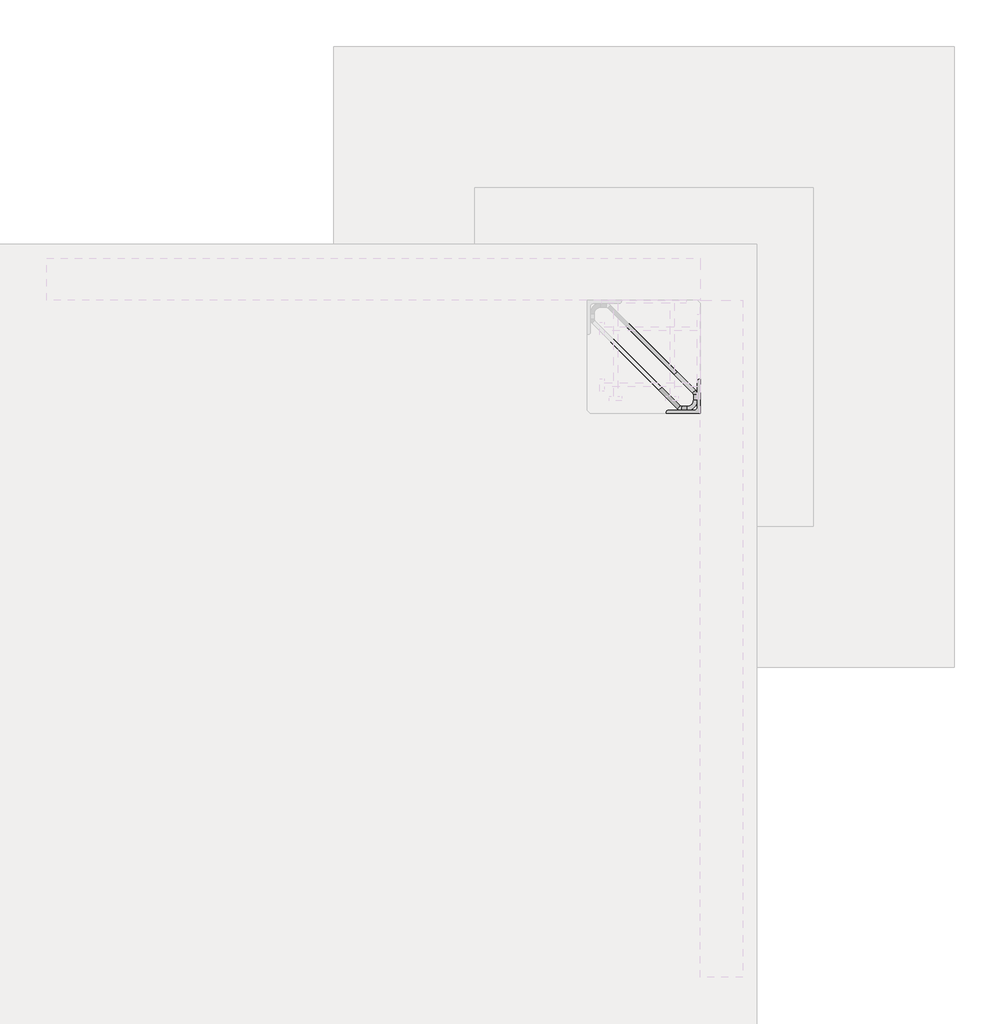
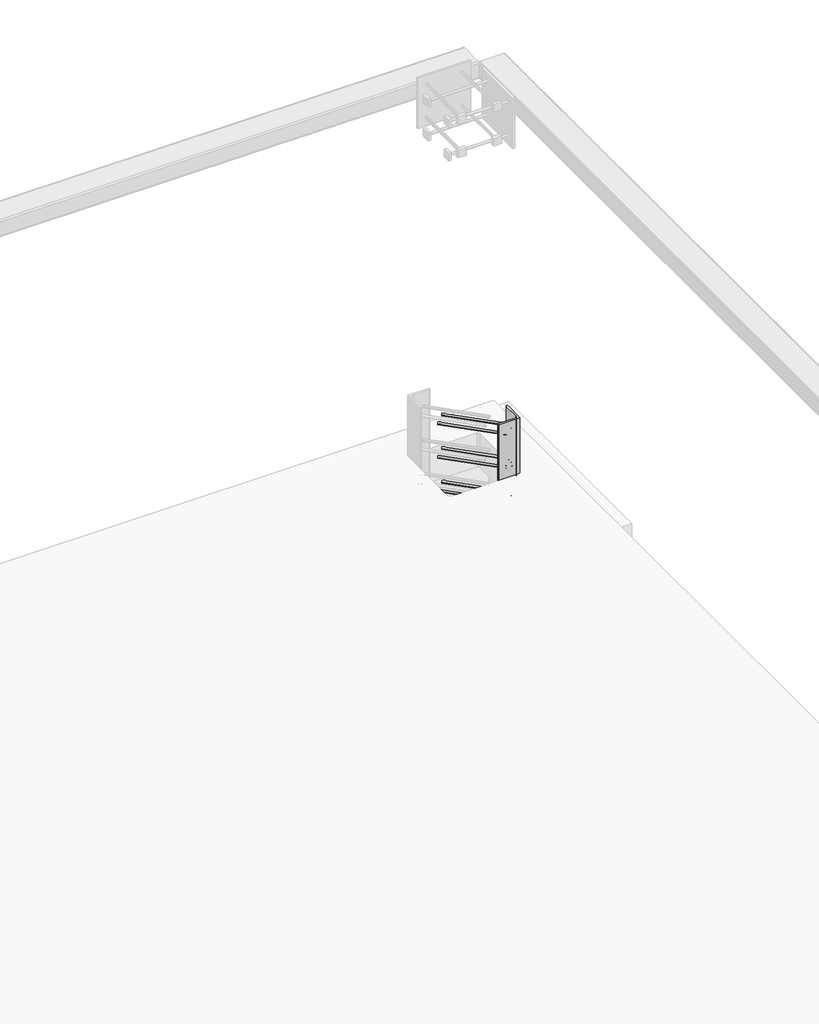
# One storey, part 65 of 65: 1 fastener.
"""IFC4 building model written with IfcOpenShell, lengths in millimetres."""

from ifc_helpers import new_model, si_unit, point, frame, frame_2d, origin, place, context, project, spatial, polyline, circle_curve, ellipse_curve, trimmed, segment, composite_curve, outline, extrude, element, save
from ifc_brep_helpers import plane_surface, cylinder_surface, revolved_surface, advanced_brep

model = new_model("IFC4")

# Units and contexts
model_context = context("Model", 3, world=origin())
ifc_project = project(units=[si_unit("LENGTHUNIT", "METRE", prefix="MILLI")], contexts=[model_context])

# Site, building, storey
site = spatial("IfcSite", under=ifc_project)
building = spatial("IfcBuilding", under=site)
storey = spatial("IfcBuildingStorey", under=building, Elevation=0.0)

# Fastener
placement = place(None, origin())
element("IfcFastener", 1, at=placement, inside=storey, context=model_context, shape_type="SolidModel", body=[
    advanced_brep(
    [(81882.5628791, 38852.5376259, 250.0), (81892.4623741, 38862.4371209, 250.0), (81947.4623741, 38917.4371209, 250.0), (81937.5628791, 38907.5376259, 250.0), (82176.0, 38647.0, 250.0), (82176.0, 38665.7867966, 250.0), (82190.0, 38665.7867966, 250.0), (82190.0, 38647.0, 250.0), (82153.0, 38610.0, 250.0), (82153.0, 38624.0, 250.0), (82134.2132034, 38624.0, 250.0), (82134.2132034, 38610.0, 250.0), (82128.5563492, 38626.3431458, 250.0), (82118.6568543, 38616.4436508, 250.0), (82173.6568543, 38671.4436508, 250.0), (82183.5563492, 38681.3431458, 250.0)],
    [
        (0, 1, circle_curve(frame((81887.5126266, 38857.4873734, 250.0), z_axis=(-0.707106781186547, 0.7071067811865482, 0.0), x_axis=(0.7071067811865482, 0.707106781186547, 0.0)), 7.0)),
        (1, 0, circle_curve(frame((81887.5126266, 38857.4873734, 250.0), z_axis=(-0.707106781186547, 0.7071067811865482, 0.0), x_axis=(0.7071067811865482, 0.707106781186547, 0.0)), 7.0)),
        (2, 3, circle_curve(frame((81942.5126266, 38912.4873734, 250.0), z_axis=(-0.707106781186547, 0.707106781186548, 0.0), x_axis=(-0.707106781186548, -0.707106781186547, 0.0)), 7.0)),
        (3, 2, circle_curve(frame((81942.5126266, 38912.4873734, 250.0), z_axis=(-0.707106781186547, 0.707106781186548, 0.0), x_axis=(-0.707106781186548, -0.707106781186547, 0.0)), 7.0)),
        (4, 5),
        (5, 6, circle_curve(frame((82183.0, 38665.7867966, 250.0), z_axis=(0.0, -1.0, 0.0), x_axis=(-1.0, 0.0, 0.0)), 7.0)),
        (6, 7),
        (7, 4, circle_curve(frame((82183.0, 38647.0, 250.0), z_axis=(0.0, 1.0, 0.0), x_axis=(-1.0, 0.0, 0.0)), 7.0)),
        (6, 5, circle_curve(frame((82183.0, 38665.7867966, 250.0), z_axis=(0.0, -1.0, 0.0), x_axis=(-1.0, 0.0, 0.0)), 7.0)),
        (4, 7, circle_curve(frame((82183.0, 38647.0, 250.0), z_axis=(0.0, 1.0, 0.0), x_axis=(-1.0, 0.0, 0.0)), 7.0)),
        (7, 8, circle_curve(frame((82153.0, 38647.0, 250.0), z_axis=(0.0, 0.0, -1.0), x_axis=(0.0, -1.0, 0.0)), 37.0)),
        (8, 9, circle_curve(frame((82153.0, 38617.0, 250.0), z_axis=(1.0, 0.0, 0.0), x_axis=(0.0, 1.0, 0.0)), 7.0)),
        (9, 4, circle_curve(frame((82153.0, 38647.0, 250.0), z_axis=(0.0, 0.0, 1.0), x_axis=(0.0, -1.0, 0.0)), 23.0)),
        (9, 8, circle_curve(frame((82153.0, 38617.0, 250.0), z_axis=(1.0, 0.0, 0.0), x_axis=(0.0, 1.0, 0.0)), 7.0)),
        (10, 9),
        (8, 11),
        (11, 10, circle_curve(frame((82134.2132034, 38617.0, 250.0), z_axis=(1.0, 0.0, 0.0), x_axis=(0.0, 1.0, 0.0)), 7.0)),
        (10, 11, circle_curve(frame((82134.2132034, 38617.0, 250.0), z_axis=(1.0, 0.0, 0.0), x_axis=(0.0, 1.0, 0.0)), 7.0)),
        (1, 12),
        (12, 13, circle_curve(frame((82123.6066017, 38621.3933983, 250.0), z_axis=(-0.707106781186547, 0.7071067811865482, 0.0), x_axis=(0.7071067811865482, 0.707106781186547, 0.0)), 7.0)),
        (13, 0),
        (13, 12, circle_curve(frame((82123.6066017, 38621.3933983, 250.0), z_axis=(-0.707106781186547, 0.7071067811865482, 0.0), x_axis=(0.7071067811865482, 0.707106781186547, 0.0)), 7.0)),
        (11, 13, circle_curve(frame((82134.2132034, 38632.0, 250.0), z_axis=(0.0, 0.0, -1.0), x_axis=(-0.7071067811865482, -0.7071067811865468, 0.0)), 22.0)),
        (12, 10, circle_curve(frame((82134.2132034, 38632.0, 250.0), z_axis=(0.0, 0.0, 1.0), x_axis=(-0.7071067811865482, -0.7071067811865468, 0.0)), 8.0)),
        (14, 15, circle_curve(frame((82178.6066017, 38676.3933983, 250.0), z_axis=(0.7071067811865475, -0.7071067811865476, 0.0), x_axis=(-0.7071067811865476, -0.7071067811865475, 0.0)), 7.0)),
        (15, 6, circle_curve(frame((82168.0, 38665.7867966, 250.0), z_axis=(0.0, 0.0, -1.0), x_axis=(1.0, 0.0, 0.0)), 22.0)),
        (5, 14, circle_curve(frame((82168.0, 38665.7867966, 250.0), z_axis=(0.0, 0.0, 1.0), x_axis=(1.0, 0.0, 0.0)), 8.0)),
        (15, 14, circle_curve(frame((82178.6066017, 38676.3933983, 250.0), z_axis=(0.7071067811865471, -0.7071067811865479, 0.0), x_axis=(-0.7071067811865479, -0.7071067811865471, 0.0)), 7.0)),
        (14, 3),
        (2, 15),
    ],
    [
        plane_surface(frame((81887.5126266, 38857.4873734, 250.0), z_axis=(-0.707106781186547, 0.7071067811865482, 0.0), x_axis=(0.0, 0.0, -1.0))),
        plane_surface(frame((81942.5126266, 38912.4873734, 250.0), z_axis=(-0.707106781186547, 0.707106781186548, 0.0), x_axis=(0.0, 0.0, -1.0))),
        cylinder_surface(frame((82183.0, 38647.0, 250.0), z_axis=(0.0, -1.0, 0.0), x_axis=(-1.0, 0.0, 0.0)), 7.0),
        revolved_surface(trimmed(ellipse_curve(frame((82153.0, 38617.0, 250.0), z_axis=(1.0, 0.0, 0.0), x_axis=(0.0, 1.0, 0.0)), 7.0, 7.0), [point((82153.0, 38610.0, 250.0))], [point((82153.0, 38624.0, 250.0))], True, "CARTESIAN"), (82153.0, 38647.0, 250.0), (0.0, 0.0, -1.0)),
        revolved_surface(trimmed(ellipse_curve(frame((82153.0, 38617.0, 250.0), z_axis=(1.0, 0.0, 0.0), x_axis=(0.0, 1.0, 0.0)), 7.0, 7.0), [point((82153.0, 38624.0, 250.0))], [point((82153.0, 38610.0, 250.0))], True, "CARTESIAN"), (82153.0, 38647.0, 250.0), (0.0, 0.0, -1.0)),
        cylinder_surface(frame((82134.2132034, 38617.0, 250.0), z_axis=(-1.0, 0.0, 0.0), x_axis=(0.0, 1.0, 0.0)), 7.0),
        cylinder_surface(frame((81887.5126266, 38857.4873734, 250.0), z_axis=(-0.707106781186547, 0.7071067811865482, 0.0), x_axis=(0.7071067811865482, 0.707106781186547, 0.0)), 7.0),
        revolved_surface(trimmed(ellipse_curve(frame((82123.6066017, 38621.3933983, 250.0), z_axis=(0.7071067811865468, -0.7071067811865482, 0.0), x_axis=(0.7071067811865482, 0.7071067811865468, 0.0)), 7.0, 7.0), [point((82118.6568543, 38616.4436508, 250.0))], [point((82128.5563492, 38626.3431458, 250.0))], True, "CARTESIAN"), (82134.2132034, 38632.0, 250.0), (0.0, 0.0, -1.0)),
        revolved_surface(trimmed(ellipse_curve(frame((82123.6066017, 38621.3933983, 250.0), z_axis=(0.7071067811865468, -0.7071067811865482, 0.0), x_axis=(0.7071067811865482, 0.7071067811865468, 0.0)), 7.0, 7.0), [point((82128.5563492, 38626.3431458, 250.0))], [point((82118.6568543, 38616.4436508, 250.0))], True, "CARTESIAN"), (82134.2132034, 38632.0, 250.0), (0.0, 0.0, -1.0)),
        revolved_surface(trimmed(ellipse_curve(frame((82183.0, 38665.7867966, 250.0), z_axis=(0.0, 1.0, 0.0), x_axis=(-1.0, 0.0, 0.0)), 7.0, 7.0), [point((82190.0, 38665.7867966, 250.0))], [point((82176.0, 38665.7867966, 250.0))], True, "CARTESIAN"), (82168.0, 38665.7867966, 250.0), (0.0, 0.0, -1.0)),
        revolved_surface(trimmed(ellipse_curve(frame((82183.0, 38665.7867966, 250.0), z_axis=(0.0, 1.0, 0.0), x_axis=(-1.0, 0.0, 0.0)), 7.0, 7.0), [point((82176.0, 38665.7867966, 250.0))], [point((82190.0, 38665.7867966, 250.0))], True, "CARTESIAN"), (82168.0, 38665.7867966, 250.0), (0.0, 0.0, -1.0)),
        cylinder_surface(frame((82178.6066017, 38676.3933983, 250.0), z_axis=(0.707106781186547, -0.707106781186548, 0.0), x_axis=(-0.707106781186548, -0.707106781186547, 0.0)), 7.0),
    ],
    [
        (0, [[1, 2]]),
        (1, [[3, 4]]),
        (2, [[5, 6, 7, 8]]),
        (2, [[-7, 9, -5, 10]]),
        (3, [[-8, 11, 12, 13]]),
        (4, [[-10, -13, 14, -11]]),
        (5, [[15, -12, 16, 17]]),
        (5, [[-16, -14, -15, 18]]),
        (6, [[19, 20, 21, -2]]),
        (6, [[-21, 22, -19, -1]]),
        (7, [[-17, 23, -20, 24]]),
        (8, [[-18, -24, -22, -23]]),
        (9, [[25, 26, -6, 27]]),
        (10, [[28, -27, -9, -26]]),
        (11, [[29, -3, 30, -25]]),
        (11, [[-30, -4, -29, -28]]),
    ],
),
    advanced_brep(
    [(81892.4623741, 38862.4371209, -150.0), (81882.5628791, 38852.5376259, -150.0), (81937.5628791, 38907.5376259, -150.0), (81947.4623741, 38917.4371209, -150.0), (82190.0, 38647.0, -150.0), (82190.0, 38665.7867966, -150.0), (82176.0, 38665.7867966, -150.0), (82176.0, 38647.0, -150.0), (82153.0, 38624.0, -150.0), (82153.0, 38610.0, -150.0), (82134.2132034, 38610.0, -150.0), (82134.2132034, 38624.0, -150.0), (82118.6568543, 38616.4436508, -150.0), (82128.5563492, 38626.3431458, -150.0), (82183.5563492, 38681.3431458, -150.0), (82173.6568543, 38671.4436508, -150.0)],
    [
        (0, 1, circle_curve(frame((81887.5126266, 38857.4873734, -150.0), z_axis=(-0.707106781186547, 0.7071067811865482, 0.0), x_axis=(-0.7071067811865482, -0.707106781186547, 0.0)), 7.0)),
        (1, 0, circle_curve(frame((81887.5126266, 38857.4873734, -150.0), z_axis=(-0.707106781186547, 0.7071067811865482, 0.0), x_axis=(-0.7071067811865482, -0.707106781186547, 0.0)), 7.0)),
        (2, 3, circle_curve(frame((81942.5126266, 38912.4873734, -150.0), z_axis=(-0.707106781186547, 0.7071067811865481, 0.0), x_axis=(0.7071067811865481, 0.707106781186547, 0.0)), 7.0)),
        (3, 2, circle_curve(frame((81942.5126266, 38912.4873734, -150.0), z_axis=(-0.707106781186547, 0.7071067811865481, 0.0), x_axis=(0.7071067811865481, 0.707106781186547, 0.0)), 7.0)),
        (4, 5),
        (5, 6, circle_curve(frame((82183.0, 38665.7867966, -150.0), z_axis=(0.0, -1.0, 0.0), x_axis=(1.0, 0.0, 0.0)), 7.0)),
        (6, 7),
        (7, 4, circle_curve(frame((82183.0, 38647.0, -150.0), z_axis=(0.0, 1.0, 0.0), x_axis=(1.0, 0.0, 0.0)), 7.0)),
        (6, 5, circle_curve(frame((82183.0, 38665.7867966, -150.0), z_axis=(0.0, -1.0, 0.0), x_axis=(1.0, 0.0, 0.0)), 7.0)),
        (4, 7, circle_curve(frame((82183.0, 38647.0, -150.0), z_axis=(0.0, 1.0, 0.0), x_axis=(1.0, 0.0, 0.0)), 7.0)),
        (7, 8, circle_curve(frame((82153.0, 38647.0, -150.0), z_axis=(0.0, 0.0, -1.0), x_axis=(0.0, -1.0, 0.0)), 23.0)),
        (8, 9, circle_curve(frame((82153.0, 38617.0, -150.0), z_axis=(1.0, 0.0, 0.0), x_axis=(0.0, -1.0, 0.0)), 7.0)),
        (9, 4, circle_curve(frame((82153.0, 38647.0, -150.0), z_axis=(0.0, 0.0, 1.0), x_axis=(0.0, -1.0, 0.0)), 37.0)),
        (9, 8, circle_curve(frame((82153.0, 38617.0, -150.0), z_axis=(1.0, 0.0, 0.0), x_axis=(0.0, -1.0, 0.0)), 7.0)),
        (10, 9),
        (8, 11),
        (11, 10, circle_curve(frame((82134.2132034, 38617.0, -150.0), z_axis=(1.0, 0.0, 0.0), x_axis=(0.0, -1.0, 0.0)), 7.0)),
        (10, 11, circle_curve(frame((82134.2132034, 38617.0, -150.0), z_axis=(1.0, 0.0, 0.0), x_axis=(0.0, -1.0, 0.0)), 7.0)),
        (1, 12),
        (12, 13, circle_curve(frame((82123.6066017, 38621.3933983, -150.0), z_axis=(-0.707106781186547, 0.7071067811865482, 0.0), x_axis=(-0.7071067811865482, -0.707106781186547, 0.0)), 7.0)),
        (13, 0),
        (13, 12, circle_curve(frame((82123.6066017, 38621.3933983, -150.0), z_axis=(-0.707106781186547, 0.7071067811865482, 0.0), x_axis=(-0.7071067811865482, -0.707106781186547, 0.0)), 7.0)),
        (11, 13, circle_curve(frame((82134.2132034, 38632.0, -150.0), z_axis=(0.0, 0.0, -1.0), x_axis=(-0.7071067811865482, -0.7071067811865468, 0.0)), 8.0)),
        (12, 10, circle_curve(frame((82134.2132034, 38632.0, -150.0), z_axis=(0.0, 0.0, 1.0), x_axis=(-0.7071067811865482, -0.7071067811865468, 0.0)), 22.0)),
        (14, 15, circle_curve(frame((82178.6066017, 38676.3933983, -150.0), z_axis=(0.7071067811865477, -0.7071067811865474, 0.0), x_axis=(0.7071067811865474, 0.7071067811865477, 0.0)), 7.0)),
        (15, 6, circle_curve(frame((82168.0, 38665.7867966, -150.0), z_axis=(0.0, 0.0, -1.0), x_axis=(1.0, 0.0, 0.0)), 8.0)),
        (5, 14, circle_curve(frame((82168.0, 38665.7867966, -150.0), z_axis=(0.0, 0.0, 1.0), x_axis=(1.0, 0.0, 0.0)), 22.0)),
        (15, 14, circle_curve(frame((82178.6066017, 38676.3933983, -150.0), z_axis=(0.7071067811865487, -0.7071067811865464, 0.0), x_axis=(0.7071067811865464, 0.7071067811865487, 0.0)), 7.0)),
        (14, 3),
        (2, 15),
    ],
    [
        plane_surface(frame((81887.5126266, 38857.4873734, -150.0), z_axis=(-0.707106781186547, 0.7071067811865482, 0.0), x_axis=(0.0, 0.0, 1.0))),
        plane_surface(frame((81942.5126266, 38912.4873734, -150.0), z_axis=(-0.707106781186547, 0.7071067811865481, 0.0), x_axis=(0.0, 0.0, 1.0))),
        cylinder_surface(frame((82183.0, 38647.0, -150.0), z_axis=(0.0, -1.0, 0.0), x_axis=(1.0, 0.0, 0.0)), 7.0),
        revolved_surface(trimmed(ellipse_curve(frame((82153.0, 38617.0, -150.0), z_axis=(1.0, 0.0, 0.0), x_axis=(0.0, -1.0, 0.0)), 7.0, 7.0), [point((82153.0, 38624.0, -150.0))], [point((82153.0, 38610.0, -150.0))], True, "CARTESIAN"), (82153.0, 38647.0, -150.0), (0.0, 0.0, -1.0)),
        revolved_surface(trimmed(ellipse_curve(frame((82153.0, 38617.0, -150.0), z_axis=(1.0, 0.0, 0.0), x_axis=(0.0, -1.0, 0.0)), 7.0, 7.0), [point((82153.0, 38610.0, -150.0))], [point((82153.0, 38624.0, -150.0))], True, "CARTESIAN"), (82153.0, 38647.0, -150.0), (0.0, 0.0, -1.0)),
        cylinder_surface(frame((82134.2132034, 38617.0, -150.0), z_axis=(-1.0, 0.0, 0.0), x_axis=(0.0, -1.0, 0.0)), 7.0),
        cylinder_surface(frame((81887.5126266, 38857.4873734, -150.0), z_axis=(-0.707106781186547, 0.7071067811865482, 0.0), x_axis=(-0.7071067811865482, -0.707106781186547, 0.0)), 7.0),
        revolved_surface(trimmed(ellipse_curve(frame((82123.6066017, 38621.3933983, -150.0), z_axis=(0.7071067811865468, -0.7071067811865482, 0.0), x_axis=(-0.7071067811865482, -0.7071067811865468, 0.0)), 7.0, 7.0), [point((82128.5563492, 38626.3431458, -150.0))], [point((82118.6568543, 38616.4436508, -150.0))], True, "CARTESIAN"), (82134.2132034, 38632.0, -150.0), (0.0, 0.0, -1.0)),
        revolved_surface(trimmed(ellipse_curve(frame((82123.6066017, 38621.3933983, -150.0), z_axis=(0.7071067811865468, -0.7071067811865482, 0.0), x_axis=(-0.7071067811865482, -0.7071067811865468, 0.0)), 7.0, 7.0), [point((82118.6568543, 38616.4436508, -150.0))], [point((82128.5563492, 38626.3431458, -150.0))], True, "CARTESIAN"), (82134.2132034, 38632.0, -150.0), (0.0, 0.0, -1.0)),
        revolved_surface(trimmed(ellipse_curve(frame((82183.0, 38665.7867966, -150.0), z_axis=(0.0, 1.0, 0.0), x_axis=(1.0, 0.0, 0.0)), 7.0, 7.0), [point((82176.0, 38665.7867966, -150.0))], [point((82190.0, 38665.7867966, -150.0))], True, "CARTESIAN"), (82168.0, 38665.7867966, -150.0), (0.0, 0.0, -1.0)),
        revolved_surface(trimmed(ellipse_curve(frame((82183.0, 38665.7867966, -150.0), z_axis=(0.0, 1.0, 0.0), x_axis=(1.0, 0.0, 0.0)), 7.0, 7.0), [point((82190.0, 38665.7867966, -150.0))], [point((82176.0, 38665.7867966, -150.0))], True, "CARTESIAN"), (82168.0, 38665.7867966, -150.0), (0.0, 0.0, -1.0)),
        cylinder_surface(frame((82178.6066017, 38676.3933983, -150.0), z_axis=(0.707106781186547, -0.7071067811865481, 0.0), x_axis=(0.7071067811865481, 0.707106781186547, 0.0)), 7.0),
    ],
    [
        (0, [[1, 2]]),
        (1, [[3, 4]]),
        (2, [[5, 6, 7, 8]]),
        (2, [[-7, 9, -5, 10]]),
        (3, [[-8, 11, 12, 13]]),
        (4, [[-10, -13, 14, -11]]),
        (5, [[15, -12, 16, 17]]),
        (5, [[-16, -14, -15, 18]]),
        (6, [[19, 20, 21, -2]]),
        (6, [[-21, 22, -19, -1]]),
        (7, [[-17, 23, -20, 24]]),
        (8, [[-18, -24, -22, -23]]),
        (9, [[25, 26, -6, 27]]),
        (10, [[28, -27, -9, -26]]),
        (11, [[29, -3, 30, -25]]),
        (11, [[-30, -4, -29, -28]]),
    ],
),
    advanced_brep(
    [(81892.4623741, 38862.4371209, 50.0), (81882.5628791, 38852.5376259, 50.0), (81937.5628791, 38907.5376259, 50.0), (81947.4623741, 38917.4371209, 50.0), (82190.0, 38647.0, 50.0), (82190.0, 38665.7867966, 50.0), (82176.0, 38665.7867966, 50.0), (82176.0, 38647.0, 50.0), (82153.0, 38624.0, 50.0), (82153.0, 38610.0, 50.0), (82134.2132034, 38610.0, 50.0), (82134.2132034, 38624.0, 50.0), (82118.6568543, 38616.4436508, 50.0), (82128.5563492, 38626.3431458, 50.0), (82183.5563492, 38681.3431458, 50.0), (82173.6568543, 38671.4436508, 50.0)],
    [
        (0, 1, circle_curve(frame((81887.5126266, 38857.4873734, 50.0), z_axis=(-0.7071067811865469, 0.7071067811865481, 0.0), x_axis=(-0.7071067811865481, -0.7071067811865469, 0.0)), 7.0)),
        (1, 0, circle_curve(frame((81887.5126266, 38857.4873734, 50.0), z_axis=(-0.7071067811865469, 0.7071067811865481, 0.0), x_axis=(-0.7071067811865481, -0.7071067811865469, 0.0)), 7.0)),
        (2, 3, circle_curve(frame((81942.5126266, 38912.4873734, 50.0), z_axis=(-0.707106781186547, 0.7071067811865481, 0.0), x_axis=(0.7071067811865481, 0.707106781186547, 0.0)), 7.0)),
        (3, 2, circle_curve(frame((81942.5126266, 38912.4873734, 50.0), z_axis=(-0.707106781186547, 0.7071067811865481, 0.0), x_axis=(0.7071067811865481, 0.707106781186547, 0.0)), 7.0)),
        (4, 5),
        (5, 6, circle_curve(frame((82183.0, 38665.7867966, 50.0), z_axis=(0.0, -1.0, 0.0), x_axis=(1.0, 0.0, 0.0)), 7.0)),
        (6, 7),
        (7, 4, circle_curve(frame((82183.0, 38647.0, 50.0), z_axis=(0.0, 1.0, 0.0), x_axis=(1.0, 0.0, 0.0)), 7.0)),
        (6, 5, circle_curve(frame((82183.0, 38665.7867966, 50.0), z_axis=(0.0, -1.0, 0.0), x_axis=(1.0, 0.0, 0.0)), 7.0)),
        (4, 7, circle_curve(frame((82183.0, 38647.0, 50.0), z_axis=(0.0, 1.0, 0.0), x_axis=(1.0, 0.0, 0.0)), 7.0)),
        (7, 8, circle_curve(frame((82153.0, 38647.0, 50.0), z_axis=(0.0, 0.0, -1.0), x_axis=(0.0, -1.0, 0.0)), 23.0)),
        (8, 9, circle_curve(frame((82153.0, 38617.0, 50.0), z_axis=(1.0, 0.0, 0.0), x_axis=(0.0, -1.0, 0.0)), 7.0)),
        (9, 4, circle_curve(frame((82153.0, 38647.0, 50.0), z_axis=(0.0, 0.0, 1.0), x_axis=(0.0, -1.0, 0.0)), 37.0)),
        (9, 8, circle_curve(frame((82153.0, 38617.0, 50.0), z_axis=(1.0, 0.0, 0.0), x_axis=(0.0, -1.0, 0.0)), 7.0)),
        (10, 9),
        (8, 11),
        (11, 10, circle_curve(frame((82134.2132034, 38617.0, 50.0), z_axis=(1.0, 0.0, 0.0), x_axis=(0.0, -1.0, 0.0)), 7.0)),
        (10, 11, circle_curve(frame((82134.2132034, 38617.0, 50.0), z_axis=(1.0, 0.0, 0.0), x_axis=(0.0, -1.0, 0.0)), 7.0)),
        (1, 12),
        (12, 13, circle_curve(frame((82123.6066017, 38621.3933983, 50.0), z_axis=(-0.7071067811865469, 0.7071067811865481, 0.0), x_axis=(-0.7071067811865481, -0.7071067811865469, 0.0)), 7.0)),
        (13, 0),
        (13, 12, circle_curve(frame((82123.6066017, 38621.3933983, 50.0), z_axis=(-0.7071067811865469, 0.7071067811865481, 0.0), x_axis=(-0.7071067811865481, -0.7071067811865469, 0.0)), 7.0)),
        (11, 13, circle_curve(frame((82134.2132034, 38632.0, 50.0), z_axis=(0.0, 0.0, -1.0), x_axis=(-0.7071067811865482, -0.7071067811865468, 0.0)), 8.0)),
        (12, 10, circle_curve(frame((82134.2132034, 38632.0, 50.0), z_axis=(0.0, 0.0, 1.0), x_axis=(-0.7071067811865482, -0.7071067811865468, 0.0)), 22.0)),
        (14, 15, circle_curve(frame((82178.6066017, 38676.3933983, 50.0), z_axis=(0.7071067811865471, -0.7071067811865479, 0.0), x_axis=(0.7071067811865479, 0.7071067811865471, 0.0)), 7.0)),
        (15, 6, circle_curve(frame((82168.0, 38665.7867966, 50.0), z_axis=(0.0, 0.0, -1.0), x_axis=(1.0, 0.0, 0.0)), 8.0)),
        (5, 14, circle_curve(frame((82168.0, 38665.7867966, 50.0), z_axis=(0.0, 0.0, 1.0), x_axis=(1.0, 0.0, 0.0)), 22.0)),
        (15, 14, circle_curve(frame((82178.6066017, 38676.3933983, 50.0), z_axis=(0.707106781186547, -0.707106781186548, 0.0), x_axis=(0.707106781186548, 0.707106781186547, 0.0)), 7.0)),
        (14, 3),
        (2, 15),
    ],
    [
        plane_surface(frame((81887.5126266, 38857.4873734, 50.0), z_axis=(-0.7071067811865469, 0.7071067811865481, 0.0), x_axis=(0.0, 0.0, 1.0))),
        plane_surface(frame((81942.5126266, 38912.4873734, 50.0), z_axis=(-0.7071067811865471, 0.707106781186548, 0.0), x_axis=(0.0, 0.0, 1.0))),
        cylinder_surface(frame((82183.0, 38647.0, 50.0), z_axis=(0.0, -1.0, 0.0), x_axis=(1.0, 0.0, 0.0)), 7.0),
        revolved_surface(trimmed(ellipse_curve(frame((82153.0, 38617.0, 50.0), z_axis=(1.0, 0.0, 0.0), x_axis=(0.0, -1.0, 0.0)), 7.0, 7.0), [point((82153.0, 38624.0, 50.0))], [point((82153.0, 38610.0, 50.0))], True, "CARTESIAN"), (82153.0, 38647.0, 50.0), (0.0, 0.0, -1.0)),
        revolved_surface(trimmed(ellipse_curve(frame((82153.0, 38617.0, 50.0), z_axis=(1.0, 0.0, 0.0), x_axis=(0.0, -1.0, 0.0)), 7.0, 7.0), [point((82153.0, 38610.0, 50.0))], [point((82153.0, 38624.0, 50.0))], True, "CARTESIAN"), (82153.0, 38647.0, 50.0), (0.0, 0.0, -1.0)),
        cylinder_surface(frame((82134.2132034, 38617.0, 50.0), z_axis=(-1.0, 0.0, 0.0), x_axis=(0.0, -1.0, 0.0)), 7.0),
        cylinder_surface(frame((81887.5126266, 38857.4873734, 50.0), z_axis=(-0.7071067811865469, 0.7071067811865481, 0.0), x_axis=(-0.7071067811865481, -0.7071067811865469, 0.0)), 7.0),
        revolved_surface(trimmed(ellipse_curve(frame((82123.6066017, 38621.3933983, 50.0), z_axis=(0.7071067811865467, -0.7071067811865483, 0.0), x_axis=(-0.7071067811865483, -0.7071067811865467, 0.0)), 7.0, 7.0), [point((82128.5563492, 38626.3431458, 50.0))], [point((82118.6568543, 38616.4436508, 50.0))], True, "CARTESIAN"), (82134.2132034, 38632.0, 50.0), (0.0, 0.0, -1.0)),
        revolved_surface(trimmed(ellipse_curve(frame((82123.6066017, 38621.3933983, 50.0), z_axis=(0.7071067811865467, -0.7071067811865483, 0.0), x_axis=(-0.7071067811865483, -0.7071067811865467, 0.0)), 7.0, 7.0), [point((82118.6568543, 38616.4436508, 50.0))], [point((82128.5563492, 38626.3431458, 50.0))], True, "CARTESIAN"), (82134.2132034, 38632.0, 50.0), (0.0, 0.0, -1.0)),
        revolved_surface(trimmed(ellipse_curve(frame((82183.0, 38665.7867966, 50.0), z_axis=(0.0, 1.0, 0.0), x_axis=(1.0, 0.0, 0.0)), 7.0, 7.0), [point((82176.0, 38665.7867966, 50.0))], [point((82190.0, 38665.7867966, 50.0))], True, "CARTESIAN"), (82168.0, 38665.7867966, 50.0), (0.0, 0.0, -1.0)),
        revolved_surface(trimmed(ellipse_curve(frame((82183.0, 38665.7867966, 50.0), z_axis=(0.0, 1.0, 0.0), x_axis=(1.0, 0.0, 0.0)), 7.0, 7.0), [point((82190.0, 38665.7867966, 50.0))], [point((82176.0, 38665.7867966, 50.0))], True, "CARTESIAN"), (82168.0, 38665.7867966, 50.0), (0.0, 0.0, -1.0)),
        cylinder_surface(frame((82178.6066017, 38676.3933983, 50.0), z_axis=(0.707106781186547, -0.7071067811865481, 0.0), x_axis=(0.7071067811865481, 0.707106781186547, 0.0)), 7.0),
    ],
    [
        (0, [[1, 2]]),
        (1, [[3, 4]]),
        (2, [[5, 6, 7, 8]]),
        (2, [[-7, 9, -5, 10]]),
        (3, [[-8, 11, 12, 13]]),
        (4, [[-10, -13, 14, -11]]),
        (5, [[15, -12, 16, 17]]),
        (5, [[-16, -14, -15, 18]]),
        (6, [[19, 20, 21, -2]]),
        (6, [[-21, 22, -19, -1]]),
        (7, [[-17, 23, -20, 24]]),
        (8, [[-18, -24, -22, -23]]),
        (9, [[25, 26, -6, 27]]),
        (10, [[28, -27, -9, -26]]),
        (11, [[29, -3, 30, -25]]),
        (11, [[-30, -4, -29, -28]]),
    ],
),
    extrude(outline(composite_curve([segment(polyline([(82200.0, 38600.0), (82080.0, 38600.0), (82080.0, 38603.5)]), True, "CONTINUOUS"), segment(trimmed(circle_curve(frame_2d((82086.5, 38603.5)), 6.5), [point((82080.0, 38603.5))], [point((82086.5, 38610.0))], False, "CARTESIAN"), True, "CONTINUOUS"), segment(polyline([(82086.5, 38610.0), (82177.0, 38610.0)]), True, "CONTINUOUS"), segment(trimmed(circle_curve(frame_2d((82177.0, 38623.0)), 13.0), [point((82177.0, 38610.0))], [point((82190.0, 38623.0))], True, "CARTESIAN"), True, "CONTINUOUS"), segment(polyline([(82190.0, 38623.0), (82190.0, 38713.5)]), True, "CONTINUOUS"), segment(trimmed(circle_curve(frame_2d((82196.5, 38713.5)), 6.5), [point((82190.0, 38713.5))], [point((82196.5, 38720.0))], False, "CARTESIAN"), True, "CONTINUOUS"), segment(polyline([(82196.5, 38720.0), (82200.0, 38720.0), (82200.0, 38600.0)]), True, "CONTINUOUS")], self_intersect=False)), frame((0.0, 0.0, -230.0), z_axis=(0.0, 0.0, 1.0), x_axis=(1.0, 0.0, 0.0)), (0.0, 0.0, 1.0), 560.0),
])

save(model, "model.ifc")
